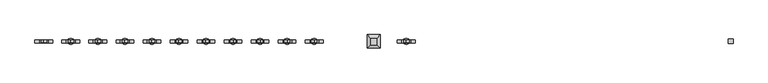
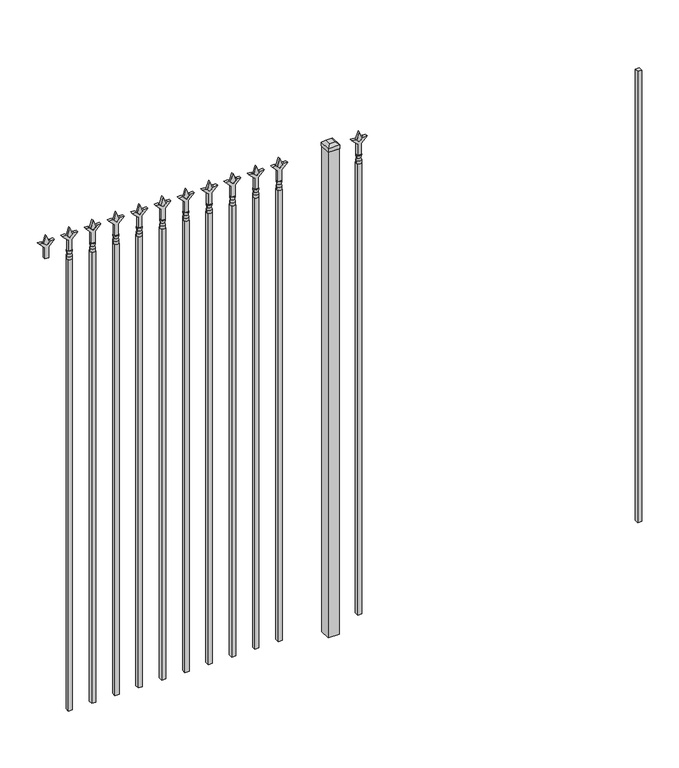
"""IFC4 building model written with IfcOpenShell, lengths in millimetres: railing geometry."""

from ifc_helpers import new_model, si_unit, frame, origin, origin_with_axes, place, context, project, spatial, polyline, circle_curve, outline, extrude, faceted_brep, source, transform, mapped, element, save
from ifc_brep_helpers import plane_surface, cylinder_surface, revolved_surface, advanced_brep


def railing_ec8f12d2(model_context):
    return source(origin(), model_context, "Body", "SolidModel", [
        extrude(outline(polyline([(-52241.005587, 5470.2679826), (-52221.955587, 5470.2679826), (-52221.955587, 5451.2179826), (-52241.005587, 5451.2179826), (-52241.005587, 5470.2679826)])), frame((0.0, 0.0, 50.8), z_axis=(0.0, 0.0, 1.0), x_axis=(1.0, 0.0, 0.0)), (0.0, 0.0, 1.0), 2235.2),
        extrude(outline(polyline([(2402.68125, -53530.849337), (2438.4, -53542.755587), (2402.68125, -53554.661837), (2390.775, -53542.755587), (2402.68125, -53530.849337)])), frame((0.0, 5455.9804826, 0.0), z_axis=(0.0, 1.0, 0.0), x_axis=(0.0, 0.0, 1.0)), (0.0, 0.0, 1.0), 9.525),
        extrude(outline(polyline([(2327.275, -53534.024337), (2381.5457378, -53534.024337), (2408.7355122, -53506.8345625), (2408.7355122, -53524.7950747), (2390.775, -53542.755587), (2408.7355122, -53560.7160992), (2408.7355122, -53578.6766114), (2381.5457378, -53551.486837), (2327.275, -53551.486837), (2327.275, -53534.024337)])), frame((0.0, 5454.3929826, 0.0), z_axis=(0.0, 1.0, 0.0), x_axis=(0.0, 0.0, 1.0)), (0.0, 0.0, 1.0), 12.7),
        advanced_brep(
        [(-53530.849337, 5460.7429826, 2298.7), (-53554.661837, 5460.7429826, 2298.7), (-53554.661837, 5460.7429826, 2286.0), (-53530.849337, 5460.7429826, 2286.0), (-53533.0546688, 5460.7429826, 2311.2070585), (-53552.4565051, 5460.7429826, 2311.2070585), (-53530.849337, 5460.7429826, 2327.275), (-53554.661837, 5460.7429826, 2327.275), (-53542.755587, 5460.7429826, 2327.275), (-53542.755587, 5460.7429826, 2286.0)],
        [
            (0, 1, circle_curve(frame((-53542.755587, 5460.7429826, 2298.7), z_axis=(0.0, 0.0, -1.0), x_axis=(-1.0, 0.0, 0.0)), 11.90625)),
            (1, 2),
            (2, 3, circle_curve(frame((-53542.755587, 5460.7429826, 2286.0), z_axis=(0.0, 0.0, 1.0), x_axis=(-1.0, 0.0, 0.0)), 11.90625)),
            (3, 0),
            (1, 0, circle_curve(frame((-53542.755587, 5460.7429826, 2298.7), z_axis=(0.0, 0.0, -1.0), x_axis=(-1.0, 0.0, 0.0)), 11.90625)),
            (3, 2, circle_curve(frame((-53542.755587, 5460.7429826, 2286.0), z_axis=(0.0, 0.0, 1.0), x_axis=(-1.0, 0.0, 0.0)), 11.90625)),
            (4, 5, circle_curve(frame((-53542.755587, 5460.7429826, 2311.2070585), z_axis=(0.0, 0.0, -1.0), x_axis=(-1.0, 0.0, 0.0)), 9.7009181)),
            (5, 1),
            (0, 4),
            (5, 4, circle_curve(frame((-53542.755587, 5460.7429826, 2311.2070585), z_axis=(0.0, 0.0, -1.0), x_axis=(-1.0, 0.0, 0.0)), 9.7009181)),
            (6, 7, circle_curve(frame((-53542.755587, 5460.7429826, 2327.275), z_axis=(0.0, 0.0, -1.0), x_axis=(-1.0, 0.0, 0.0)), 11.90625)),
            (7, 5),
            (4, 6),
            (7, 6, circle_curve(frame((-53542.755587, 5460.7429826, 2327.275), z_axis=(0.0, 0.0, -1.0), x_axis=(-1.0, 0.0, 0.0)), 11.90625)),
            (8, 7),
            (6, 8),
            (2, 9),
            (9, 3),
        ],
        [
            cylinder_surface(frame((-53542.755587, 5460.7429826, 2286.0), z_axis=(0.0, 0.0, 1.0), x_axis=(-1.0, 0.0, 0.0)), 11.90625),
            revolved_surface(polyline([(-53554.661837, 5460.7429826, 2298.7), (-53552.4565051, 5460.7429826, 2311.2070585)]), (-53542.755587, 5460.7429826, 2286.0), (0.0, 0.0, 1.0)),
            revolved_surface(polyline([(-53552.4565051, 5460.7429826, 2311.2070585), (-53554.661837, 5460.7429826, 2327.275)]), (-53542.755587, 5460.7429826, 2286.0), (0.0, 0.0, 1.0)),
            plane_surface(frame((-53542.755587, 5460.7429826, 2327.275), z_axis=(0.0, 0.0, 1.0), x_axis=(-1.0, 0.0, 0.0))),
            plane_surface(frame((-53542.755587, 5460.7429826, 2286.0), z_axis=(0.0, 0.0, -1.0), x_axis=(-1.0, 0.0, 0.0))),
        ],
        [
            (0, [[1, 2, 3, 4]]),
            (0, [[5, -4, 6, -2]]),
            (1, [[7, 8, -1, 9]]),
            (1, [[10, -9, -5, -8]]),
            (2, [[11, 12, -7, 13]]),
            (2, [[14, -13, -10, -12]]),
            (3, [[15, -11, 16]]),
            (3, [[-16, -14, -15]]),
            (4, [[-3, 17, 18]]),
            (4, [[-6, -18, -17]]),
        ],
    ),
        extrude(outline(polyline([(-53552.280587, 5470.2679826), (-53533.230587, 5470.2679826), (-53533.230587, 5451.2179826), (-53552.280587, 5451.2179826), (-53552.280587, 5470.2679826)])), frame((0.0, 0.0, 50.8), z_axis=(0.0, 0.0, 1.0), x_axis=(1.0, 0.0, 0.0)), (0.0, 0.0, 1.0), 2235.2),
        extrude(outline(polyline([(-53649.118087, 5486.1429826), (-53649.118087, 5435.3429826), (-53699.918087, 5435.3429826), (-53699.918087, 5486.1429826), (-53649.118087, 5486.1429826)])), origin_with_axes(), (0.0, 0.0, 1.0), 2406.65),
        faceted_brep([(-53701.505587, 5487.7304826, 2425.7), (-53701.505587, 5487.7304826, 2406.65), (-53701.505587, 5433.7554826, 2406.65), (-53701.505587, 5433.7554826, 2425.7), (-53688.805587, 5475.0304826, 2438.4), (-53688.805587, 5446.4554826, 2438.4), (-53647.530587, 5433.7554826, 2406.65), (-53647.530587, 5433.7554826, 2425.7), (-53660.230587, 5446.4554826, 2438.4), (-53647.530587, 5487.7304826, 2406.65), (-53647.530587, 5487.7304826, 2425.7), (-53660.230587, 5475.0304826, 2438.4)], [[[0, 1, 2, 3]], [[4, 0, 3, 5]], [[3, 2, 6, 7]], [[5, 3, 7, 8]], [[7, 6, 9, 10]], [[8, 7, 10, 11]], [[10, 9, 1, 0]], [[11, 10, 0, 4]], [[5, 8, 11, 4]], [[1, 9, 6, 2]]]),
        extrude(outline(polyline([(2402.68125, -53903.6472536), (2438.4, -53915.5535036), (2402.68125, -53927.4597536), (2390.775, -53915.5535036), (2402.68125, -53903.6472536)])), frame((0.0, 5455.9804826, 0.0), z_axis=(0.0, 1.0, 0.0), x_axis=(0.0, 0.0, 1.0)), (0.0, 0.0, 1.0), 9.525),
        extrude(outline(polyline([(2327.275, -53906.8222536), (2381.5457378, -53906.8222536), (2408.7355122, -53879.6324791), (2408.7355122, -53897.5929914), (2390.775, -53915.5535036), (2408.7355122, -53933.5140159), (2408.7355122, -53951.4745281), (2381.5457378, -53924.2847536), (2327.275, -53924.2847536), (2327.275, -53906.8222536)])), frame((0.0, 5454.3929826, 0.0), z_axis=(0.0, 1.0, 0.0), x_axis=(0.0, 0.0, 1.0)), (0.0, 0.0, 1.0), 12.7),
        advanced_brep(
        [(-53903.6472536, 5460.7429826, 2298.7), (-53927.4597536, 5460.7429826, 2298.7), (-53927.4597536, 5460.7429826, 2286.0), (-53903.6472536, 5460.7429826, 2286.0), (-53905.8525855, 5460.7429826, 2311.2070585), (-53925.2544218, 5460.7429826, 2311.2070585), (-53903.6472536, 5460.7429826, 2327.275), (-53927.4597536, 5460.7429826, 2327.275), (-53915.5535036, 5460.7429826, 2327.275), (-53915.5535036, 5460.7429826, 2286.0)],
        [
            (0, 1, circle_curve(frame((-53915.5535036, 5460.7429826, 2298.7), z_axis=(0.0, 0.0, -1.0), x_axis=(-1.0, 0.0, 0.0)), 11.90625)),
            (1, 2),
            (2, 3, circle_curve(frame((-53915.5535036, 5460.7429826, 2286.0), z_axis=(0.0, 0.0, 1.0), x_axis=(-1.0, 0.0, 0.0)), 11.90625)),
            (3, 0),
            (1, 0, circle_curve(frame((-53915.5535036, 5460.7429826, 2298.7), z_axis=(0.0, 0.0, -1.0), x_axis=(-1.0, 0.0, 0.0)), 11.90625)),
            (3, 2, circle_curve(frame((-53915.5535036, 5460.7429826, 2286.0), z_axis=(0.0, 0.0, 1.0), x_axis=(-1.0, 0.0, 0.0)), 11.90625)),
            (4, 5, circle_curve(frame((-53915.5535036, 5460.7429826, 2311.2070585), z_axis=(0.0, 0.0, -1.0), x_axis=(-1.0, 0.0, 0.0)), 9.7009181)),
            (5, 1),
            (0, 4),
            (5, 4, circle_curve(frame((-53915.5535036, 5460.7429826, 2311.2070585), z_axis=(0.0, 0.0, -1.0), x_axis=(-1.0, 0.0, 0.0)), 9.7009181)),
            (6, 7, circle_curve(frame((-53915.5535036, 5460.7429826, 2327.275), z_axis=(0.0, 0.0, -1.0), x_axis=(-1.0, 0.0, 0.0)), 11.90625)),
            (7, 5),
            (4, 6),
            (7, 6, circle_curve(frame((-53915.5535036, 5460.7429826, 2327.275), z_axis=(0.0, 0.0, -1.0), x_axis=(-1.0, 0.0, 0.0)), 11.90625)),
            (8, 7),
            (6, 8),
            (2, 9),
            (9, 3),
        ],
        [
            cylinder_surface(frame((-53915.5535036, 5460.7429826, 2286.0), z_axis=(0.0, 0.0, 1.0), x_axis=(-1.0, 0.0, 0.0)), 11.90625),
            revolved_surface(polyline([(-53927.4597536, 5460.7429826, 2298.7), (-53925.2544218, 5460.7429826, 2311.2070585)]), (-53915.5535036, 5460.7429826, 2286.0), (0.0, 0.0, 1.0)),
            revolved_surface(polyline([(-53925.2544218, 5460.7429826, 2311.2070585), (-53927.4597536, 5460.7429826, 2327.275)]), (-53915.5535036, 5460.7429826, 2286.0), (0.0, 0.0, 1.0)),
            plane_surface(frame((-53915.5535036, 5460.7429826, 2327.275), z_axis=(0.0, 0.0, 1.0), x_axis=(-1.0, 0.0, 0.0))),
            plane_surface(frame((-53915.5535036, 5460.7429826, 2286.0), z_axis=(0.0, 0.0, -1.0), x_axis=(-1.0, 0.0, 0.0))),
        ],
        [
            (0, [[1, 2, 3, 4]]),
            (0, [[5, -4, 6, -2]]),
            (1, [[7, 8, -1, 9]]),
            (1, [[10, -9, -5, -8]]),
            (2, [[11, 12, -7, 13]]),
            (2, [[14, -13, -10, -12]]),
            (3, [[15, -11, 16]]),
            (3, [[-16, -14, -15]]),
            (4, [[-3, 17, 18]]),
            (4, [[-6, -18, -17]]),
        ],
    ),
        extrude(outline(polyline([(-53925.0785036, 5470.2679826), (-53906.0285036, 5470.2679826), (-53906.0285036, 5451.2179826), (-53925.0785036, 5451.2179826), (-53925.0785036, 5470.2679826)])), frame((0.0, 0.0, 50.8), z_axis=(0.0, 0.0, 1.0), x_axis=(1.0, 0.0, 0.0)), (0.0, 0.0, 1.0), 2235.2),
        extrude(outline(polyline([(2402.68125, -54012.9201703), (2438.4, -54024.8264203), (2402.68125, -54036.7326703), (2390.775, -54024.8264203), (2402.68125, -54012.9201703)])), frame((0.0, 5455.9804826, 0.0), z_axis=(0.0, 1.0, 0.0), x_axis=(0.0, 0.0, 1.0)), (0.0, 0.0, 1.0), 9.525),
        extrude(outline(polyline([(2327.275, -54016.0951703), (2381.5457378, -54016.0951703), (2408.7355122, -53988.9053958), (2408.7355122, -54006.8659081), (2390.775, -54024.8264203), (2408.7355122, -54042.7869325), (2408.7355122, -54060.7474448), (2381.5457378, -54033.5576703), (2327.275, -54033.5576703), (2327.275, -54016.0951703)])), frame((0.0, 5454.3929826, 0.0), z_axis=(0.0, 1.0, 0.0), x_axis=(0.0, 0.0, 1.0)), (0.0, 0.0, 1.0), 12.7),
        advanced_brep(
        [(-54012.9201703, 5460.7429826, 2298.7), (-54036.7326703, 5460.7429826, 2298.7), (-54036.7326703, 5460.7429826, 2286.0), (-54012.9201703, 5460.7429826, 2286.0), (-54015.1255022, 5460.7429826, 2311.2070585), (-54034.5273384, 5460.7429826, 2311.2070585), (-54012.9201703, 5460.7429826, 2327.275), (-54036.7326703, 5460.7429826, 2327.275), (-54024.8264203, 5460.7429826, 2327.275), (-54024.8264203, 5460.7429826, 2286.0)],
        [
            (0, 1, circle_curve(frame((-54024.8264203, 5460.7429826, 2298.7), z_axis=(0.0, 0.0, -1.0), x_axis=(-1.0, 0.0, 0.0)), 11.90625)),
            (1, 2),
            (2, 3, circle_curve(frame((-54024.8264203, 5460.7429826, 2286.0), z_axis=(0.0, 0.0, 1.0), x_axis=(-1.0, 0.0, 0.0)), 11.90625)),
            (3, 0),
            (1, 0, circle_curve(frame((-54024.8264203, 5460.7429826, 2298.7), z_axis=(0.0, 0.0, -1.0), x_axis=(-1.0, 0.0, 0.0)), 11.90625)),
            (3, 2, circle_curve(frame((-54024.8264203, 5460.7429826, 2286.0), z_axis=(0.0, 0.0, 1.0), x_axis=(-1.0, 0.0, 0.0)), 11.90625)),
            (4, 5, circle_curve(frame((-54024.8264203, 5460.7429826, 2311.2070585), z_axis=(0.0, 0.0, -1.0), x_axis=(-1.0, 0.0, 0.0)), 9.7009181)),
            (5, 1),
            (0, 4),
            (5, 4, circle_curve(frame((-54024.8264203, 5460.7429826, 2311.2070585), z_axis=(0.0, 0.0, -1.0), x_axis=(-1.0, 0.0, 0.0)), 9.7009181)),
            (6, 7, circle_curve(frame((-54024.8264203, 5460.7429826, 2327.275), z_axis=(0.0, 0.0, -1.0), x_axis=(-1.0, 0.0, 0.0)), 11.90625)),
            (7, 5),
            (4, 6),
            (7, 6, circle_curve(frame((-54024.8264203, 5460.7429826, 2327.275), z_axis=(0.0, 0.0, -1.0), x_axis=(-1.0, 0.0, 0.0)), 11.90625)),
            (8, 7),
            (6, 8),
            (2, 9),
            (9, 3),
        ],
        [
            cylinder_surface(frame((-54024.8264203, 5460.7429826, 2286.0), z_axis=(0.0, 0.0, 1.0), x_axis=(-1.0, 0.0, 0.0)), 11.90625),
            revolved_surface(polyline([(-54036.7326703, 5460.7429826, 2298.7), (-54034.5273384, 5460.7429826, 2311.2070585)]), (-54024.8264203, 5460.7429826, 2286.0), (0.0, 0.0, 1.0)),
            revolved_surface(polyline([(-54034.5273384, 5460.7429826, 2311.2070585), (-54036.7326703, 5460.7429826, 2327.275)]), (-54024.8264203, 5460.7429826, 2286.0), (0.0, 0.0, 1.0)),
            plane_surface(frame((-54024.8264203, 5460.7429826, 2327.275), z_axis=(0.0, 0.0, 1.0), x_axis=(-1.0, 0.0, 0.0))),
            plane_surface(frame((-54024.8264203, 5460.7429826, 2286.0), z_axis=(0.0, 0.0, -1.0), x_axis=(-1.0, 0.0, 0.0))),
        ],
        [
            (0, [[1, 2, 3, 4]]),
            (0, [[5, -4, 6, -2]]),
            (1, [[7, 8, -1, 9]]),
            (1, [[10, -9, -5, -8]]),
            (2, [[11, 12, -7, 13]]),
            (2, [[14, -13, -10, -12]]),
            (3, [[15, -11, 16]]),
            (3, [[-16, -14, -15]]),
            (4, [[-3, 17, 18]]),
            (4, [[-6, -18, -17]]),
        ],
    ),
        extrude(outline(polyline([(-54034.3514203, 5470.2679826), (-54015.3014203, 5470.2679826), (-54015.3014203, 5451.2179826), (-54034.3514203, 5451.2179826), (-54034.3514203, 5470.2679826)])), frame((0.0, 0.0, 50.8), z_axis=(0.0, 0.0, 1.0), x_axis=(1.0, 0.0, 0.0)), (0.0, 0.0, 1.0), 2235.2),
        extrude(outline(polyline([(2402.68125, -54122.193087), (2438.4, -54134.099337), (2402.68125, -54146.005587), (2390.775, -54134.099337), (2402.68125, -54122.193087)])), frame((0.0, 5455.9804826, 0.0), z_axis=(0.0, 1.0, 0.0), x_axis=(0.0, 0.0, 1.0)), (0.0, 0.0, 1.0), 9.525),
        extrude(outline(polyline([(2327.275, -54125.368087), (2381.5457378, -54125.368087), (2408.7355122, -54098.1783125), (2408.7355122, -54116.1388247), (2390.775, -54134.099337), (2408.7355122, -54152.0598492), (2408.7355122, -54170.0203614), (2381.5457378, -54142.830587), (2327.275, -54142.830587), (2327.275, -54125.368087)])), frame((0.0, 5454.3929826, 0.0), z_axis=(0.0, 1.0, 0.0), x_axis=(0.0, 0.0, 1.0)), (0.0, 0.0, 1.0), 12.7),
        advanced_brep(
        [(-54122.193087, 5460.7429826, 2298.7), (-54146.005587, 5460.7429826, 2298.7), (-54146.005587, 5460.7429826, 2286.0), (-54122.193087, 5460.7429826, 2286.0), (-54124.3984188, 5460.7429826, 2311.2070585), (-54143.8002551, 5460.7429826, 2311.2070585), (-54122.193087, 5460.7429826, 2327.275), (-54146.005587, 5460.7429826, 2327.275), (-54134.099337, 5460.7429826, 2327.275), (-54134.099337, 5460.7429826, 2286.0)],
        [
            (0, 1, circle_curve(frame((-54134.099337, 5460.7429826, 2298.7), z_axis=(0.0, 0.0, -1.0), x_axis=(-1.0, 0.0, 0.0)), 11.90625)),
            (1, 2),
            (2, 3, circle_curve(frame((-54134.099337, 5460.7429826, 2286.0), z_axis=(0.0, 0.0, 1.0), x_axis=(-1.0, 0.0, 0.0)), 11.90625)),
            (3, 0),
            (1, 0, circle_curve(frame((-54134.099337, 5460.7429826, 2298.7), z_axis=(0.0, 0.0, -1.0), x_axis=(-1.0, 0.0, 0.0)), 11.90625)),
            (3, 2, circle_curve(frame((-54134.099337, 5460.7429826, 2286.0), z_axis=(0.0, 0.0, 1.0), x_axis=(-1.0, 0.0, 0.0)), 11.90625)),
            (4, 5, circle_curve(frame((-54134.099337, 5460.7429826, 2311.2070585), z_axis=(0.0, 0.0, -1.0), x_axis=(-1.0, 0.0, 0.0)), 9.7009181)),
            (5, 1),
            (0, 4),
            (5, 4, circle_curve(frame((-54134.099337, 5460.7429826, 2311.2070585), z_axis=(0.0, 0.0, -1.0), x_axis=(-1.0, 0.0, 0.0)), 9.7009181)),
            (6, 7, circle_curve(frame((-54134.099337, 5460.7429826, 2327.275), z_axis=(0.0, 0.0, -1.0), x_axis=(-1.0, 0.0, 0.0)), 11.90625)),
            (7, 5),
            (4, 6),
            (7, 6, circle_curve(frame((-54134.099337, 5460.7429826, 2327.275), z_axis=(0.0, 0.0, -1.0), x_axis=(-1.0, 0.0, 0.0)), 11.90625)),
            (8, 7),
            (6, 8),
            (2, 9),
            (9, 3),
        ],
        [
            cylinder_surface(frame((-54134.099337, 5460.7429826, 2286.0), z_axis=(0.0, 0.0, 1.0), x_axis=(-1.0, 0.0, 0.0)), 11.90625),
            revolved_surface(polyline([(-54146.005587, 5460.7429826, 2298.7), (-54143.8002551, 5460.7429826, 2311.2070585)]), (-54134.099337, 5460.7429826, 2286.0), (0.0, 0.0, 1.0)),
            revolved_surface(polyline([(-54143.8002551, 5460.7429826, 2311.2070585), (-54146.005587, 5460.7429826, 2327.275)]), (-54134.099337, 5460.7429826, 2286.0), (0.0, 0.0, 1.0)),
            plane_surface(frame((-54134.099337, 5460.7429826, 2327.275), z_axis=(0.0, 0.0, 1.0), x_axis=(-1.0, 0.0, 0.0))),
            plane_surface(frame((-54134.099337, 5460.7429826, 2286.0), z_axis=(0.0, 0.0, -1.0), x_axis=(-1.0, 0.0, 0.0))),
        ],
        [
            (0, [[1, 2, 3, 4]]),
            (0, [[5, -4, 6, -2]]),
            (1, [[7, 8, -1, 9]]),
            (1, [[10, -9, -5, -8]]),
            (2, [[11, 12, -7, 13]]),
            (2, [[14, -13, -10, -12]]),
            (3, [[15, -11, 16]]),
            (3, [[-16, -14, -15]]),
            (4, [[-3, 17, 18]]),
            (4, [[-6, -18, -17]]),
        ],
    ),
        extrude(outline(polyline([(-54143.624337, 5470.2679826), (-54124.574337, 5470.2679826), (-54124.574337, 5451.2179826), (-54143.624337, 5451.2179826), (-54143.624337, 5470.2679826)])), frame((0.0, 0.0, 50.8), z_axis=(0.0, 0.0, 1.0), x_axis=(1.0, 0.0, 0.0)), (0.0, 0.0, 1.0), 2235.2),
        extrude(outline(polyline([(2402.68125, -54231.4660036), (2438.4, -54243.3722536), (2402.68125, -54255.2785036), (2390.775, -54243.3722536), (2402.68125, -54231.4660036)])), frame((0.0, 5455.9804826, 0.0), z_axis=(0.0, 1.0, 0.0), x_axis=(0.0, 0.0, 1.0)), (0.0, 0.0, 1.0), 9.525),
        extrude(outline(polyline([(2327.275, -54234.6410036), (2381.5457378, -54234.6410036), (2408.7355122, -54207.4512291), (2408.7355122, -54225.4117414), (2390.775, -54243.3722536), (2408.7355122, -54261.3327659), (2408.7355122, -54279.2932781), (2381.5457378, -54252.1035036), (2327.275, -54252.1035036), (2327.275, -54234.6410036)])), frame((0.0, 5454.3929826, 0.0), z_axis=(0.0, 1.0, 0.0), x_axis=(0.0, 0.0, 1.0)), (0.0, 0.0, 1.0), 12.7),
        advanced_brep(
        [(-54231.4660036, 5460.7429826, 2298.7), (-54255.2785036, 5460.7429826, 2298.7), (-54255.2785036, 5460.7429826, 2286.0), (-54231.4660036, 5460.7429826, 2286.0), (-54233.6713355, 5460.7429826, 2311.2070585), (-54253.0731718, 5460.7429826, 2311.2070585), (-54231.4660036, 5460.7429826, 2327.275), (-54255.2785036, 5460.7429826, 2327.275), (-54243.3722536, 5460.7429826, 2327.275), (-54243.3722536, 5460.7429826, 2286.0)],
        [
            (0, 1, circle_curve(frame((-54243.3722536, 5460.7429826, 2298.7), z_axis=(0.0, 0.0, -1.0), x_axis=(-1.0, 0.0, 0.0)), 11.90625)),
            (1, 2),
            (2, 3, circle_curve(frame((-54243.3722536, 5460.7429826, 2286.0), z_axis=(0.0, 0.0, 1.0), x_axis=(-1.0, 0.0, 0.0)), 11.90625)),
            (3, 0),
            (1, 0, circle_curve(frame((-54243.3722536, 5460.7429826, 2298.7), z_axis=(0.0, 0.0, -1.0), x_axis=(-1.0, 0.0, 0.0)), 11.90625)),
            (3, 2, circle_curve(frame((-54243.3722536, 5460.7429826, 2286.0), z_axis=(0.0, 0.0, 1.0), x_axis=(-1.0, 0.0, 0.0)), 11.90625)),
            (4, 5, circle_curve(frame((-54243.3722536, 5460.7429826, 2311.2070585), z_axis=(0.0, 0.0, -1.0), x_axis=(-1.0, 0.0, 0.0)), 9.7009181)),
            (5, 1),
            (0, 4),
            (5, 4, circle_curve(frame((-54243.3722536, 5460.7429826, 2311.2070585), z_axis=(0.0, 0.0, -1.0), x_axis=(-1.0, 0.0, 0.0)), 9.7009181)),
            (6, 7, circle_curve(frame((-54243.3722536, 5460.7429826, 2327.275), z_axis=(0.0, 0.0, -1.0), x_axis=(-1.0, 0.0, 0.0)), 11.90625)),
            (7, 5),
            (4, 6),
            (7, 6, circle_curve(frame((-54243.3722536, 5460.7429826, 2327.275), z_axis=(0.0, 0.0, -1.0), x_axis=(-1.0, 0.0, 0.0)), 11.90625)),
            (8, 7),
            (6, 8),
            (2, 9),
            (9, 3),
        ],
        [
            cylinder_surface(frame((-54243.3722536, 5460.7429826, 2286.0), z_axis=(0.0, 0.0, 1.0), x_axis=(-1.0, 0.0, 0.0)), 11.90625),
            revolved_surface(polyline([(-54255.2785036, 5460.7429826, 2298.7), (-54253.0731718, 5460.7429826, 2311.2070585)]), (-54243.3722536, 5460.7429826, 2286.0), (0.0, 0.0, 1.0)),
            revolved_surface(polyline([(-54253.0731718, 5460.7429826, 2311.2070585), (-54255.2785036, 5460.7429826, 2327.275)]), (-54243.3722536, 5460.7429826, 2286.0), (0.0, 0.0, 1.0)),
            plane_surface(frame((-54243.3722536, 5460.7429826, 2327.275), z_axis=(0.0, 0.0, 1.0), x_axis=(-1.0, 0.0, 0.0))),
            plane_surface(frame((-54243.3722536, 5460.7429826, 2286.0), z_axis=(0.0, 0.0, -1.0), x_axis=(-1.0, 0.0, 0.0))),
        ],
        [
            (0, [[1, 2, 3, 4]]),
            (0, [[5, -4, 6, -2]]),
            (1, [[7, 8, -1, 9]]),
            (1, [[10, -9, -5, -8]]),
            (2, [[11, 12, -7, 13]]),
            (2, [[14, -13, -10, -12]]),
            (3, [[15, -11, 16]]),
            (3, [[-16, -14, -15]]),
            (4, [[-3, 17, 18]]),
            (4, [[-6, -18, -17]]),
        ],
    ),
        extrude(outline(polyline([(-54252.8972536, 5470.2679826), (-54233.8472536, 5470.2679826), (-54233.8472536, 5451.2179826), (-54252.8972536, 5451.2179826), (-54252.8972536, 5470.2679826)])), frame((0.0, 0.0, 50.8), z_axis=(0.0, 0.0, 1.0), x_axis=(1.0, 0.0, 0.0)), (0.0, 0.0, 1.0), 2235.2),
        extrude(outline(polyline([(2402.68125, -54340.7389203), (2438.4, -54352.6451703), (2402.68125, -54364.5514203), (2390.775, -54352.6451703), (2402.68125, -54340.7389203)])), frame((0.0, 5455.9804826, 0.0), z_axis=(0.0, 1.0, 0.0), x_axis=(0.0, 0.0, 1.0)), (0.0, 0.0, 1.0), 9.525),
        extrude(outline(polyline([(2327.275, -54343.9139203), (2381.5457378, -54343.9139203), (2408.7355122, -54316.7241458), (2408.7355122, -54334.6846581), (2390.775, -54352.6451703), (2408.7355122, -54370.6056825), (2408.7355122, -54388.5661948), (2381.5457378, -54361.3764203), (2327.275, -54361.3764203), (2327.275, -54343.9139203)])), frame((0.0, 5454.3929826, 0.0), z_axis=(0.0, 1.0, 0.0), x_axis=(0.0, 0.0, 1.0)), (0.0, 0.0, 1.0), 12.7),
        advanced_brep(
        [(-54340.7389203, 5460.7429826, 2298.7), (-54364.5514203, 5460.7429826, 2298.7), (-54364.5514203, 5460.7429826, 2286.0), (-54340.7389203, 5460.7429826, 2286.0), (-54342.9442522, 5460.7429826, 2311.2070585), (-54362.3460884, 5460.7429826, 2311.2070585), (-54340.7389203, 5460.7429826, 2327.275), (-54364.5514203, 5460.7429826, 2327.275), (-54352.6451703, 5460.7429826, 2327.275), (-54352.6451703, 5460.7429826, 2286.0)],
        [
            (0, 1, circle_curve(frame((-54352.6451703, 5460.7429826, 2298.7), z_axis=(0.0, 0.0, -1.0), x_axis=(-1.0, 0.0, 0.0)), 11.90625)),
            (1, 2),
            (2, 3, circle_curve(frame((-54352.6451703, 5460.7429826, 2286.0), z_axis=(0.0, 0.0, 1.0), x_axis=(-1.0, 0.0, 0.0)), 11.90625)),
            (3, 0),
            (1, 0, circle_curve(frame((-54352.6451703, 5460.7429826, 2298.7), z_axis=(0.0, 0.0, -1.0), x_axis=(-1.0, 0.0, 0.0)), 11.90625)),
            (3, 2, circle_curve(frame((-54352.6451703, 5460.7429826, 2286.0), z_axis=(0.0, 0.0, 1.0), x_axis=(-1.0, 0.0, 0.0)), 11.90625)),
            (4, 5, circle_curve(frame((-54352.6451703, 5460.7429826, 2311.2070585), z_axis=(0.0, 0.0, -1.0), x_axis=(-1.0, 0.0, 0.0)), 9.7009181)),
            (5, 1),
            (0, 4),
            (5, 4, circle_curve(frame((-54352.6451703, 5460.7429826, 2311.2070585), z_axis=(0.0, 0.0, -1.0), x_axis=(-1.0, 0.0, 0.0)), 9.7009181)),
            (6, 7, circle_curve(frame((-54352.6451703, 5460.7429826, 2327.275), z_axis=(0.0, 0.0, -1.0), x_axis=(-1.0, 0.0, 0.0)), 11.90625)),
            (7, 5),
            (4, 6),
            (7, 6, circle_curve(frame((-54352.6451703, 5460.7429826, 2327.275), z_axis=(0.0, 0.0, -1.0), x_axis=(-1.0, 0.0, 0.0)), 11.90625)),
            (8, 7),
            (6, 8),
            (2, 9),
            (9, 3),
        ],
        [
            cylinder_surface(frame((-54352.6451703, 5460.7429826, 2286.0), z_axis=(0.0, 0.0, 1.0), x_axis=(-1.0, 0.0, 0.0)), 11.90625),
            revolved_surface(polyline([(-54364.5514203, 5460.7429826, 2298.7), (-54362.3460884, 5460.7429826, 2311.2070585)]), (-54352.6451703, 5460.7429826, 2286.0), (0.0, 0.0, 1.0)),
            revolved_surface(polyline([(-54362.3460884, 5460.7429826, 2311.2070585), (-54364.5514203, 5460.7429826, 2327.275)]), (-54352.6451703, 5460.7429826, 2286.0), (0.0, 0.0, 1.0)),
            plane_surface(frame((-54352.6451703, 5460.7429826, 2327.275), z_axis=(0.0, 0.0, 1.0), x_axis=(-1.0, 0.0, 0.0))),
            plane_surface(frame((-54352.6451703, 5460.7429826, 2286.0), z_axis=(0.0, 0.0, -1.0), x_axis=(-1.0, 0.0, 0.0))),
        ],
        [
            (0, [[1, 2, 3, 4]]),
            (0, [[5, -4, 6, -2]]),
            (1, [[7, 8, -1, 9]]),
            (1, [[10, -9, -5, -8]]),
            (2, [[11, 12, -7, 13]]),
            (2, [[14, -13, -10, -12]]),
            (3, [[15, -11, 16]]),
            (3, [[-16, -14, -15]]),
            (4, [[-3, 17, 18]]),
            (4, [[-6, -18, -17]]),
        ],
    ),
        extrude(outline(polyline([(-54362.1701703, 5470.2679826), (-54343.1201703, 5470.2679826), (-54343.1201703, 5451.2179826), (-54362.1701703, 5451.2179826), (-54362.1701703, 5470.2679826)])), frame((0.0, 0.0, 50.8), z_axis=(0.0, 0.0, 1.0), x_axis=(1.0, 0.0, 0.0)), (0.0, 0.0, 1.0), 2235.2),
        extrude(outline(polyline([(2402.68125, -54450.011837), (2438.4, -54461.918087), (2402.68125, -54473.824337), (2390.775, -54461.918087), (2402.68125, -54450.011837)])), frame((0.0, 5455.9804826, 0.0), z_axis=(0.0, 1.0, 0.0), x_axis=(0.0, 0.0, 1.0)), (0.0, 0.0, 1.0), 9.525),
        extrude(outline(polyline([(2327.275, -54453.186837), (2381.5457378, -54453.186837), (2408.7355122, -54425.9970625), (2408.7355122, -54443.9575747), (2390.775, -54461.918087), (2408.7355122, -54479.8785992), (2408.7355122, -54497.8391114), (2381.5457378, -54470.649337), (2327.275, -54470.649337), (2327.275, -54453.186837)])), frame((0.0, 5454.3929826, 0.0), z_axis=(0.0, 1.0, 0.0), x_axis=(0.0, 0.0, 1.0)), (0.0, 0.0, 1.0), 12.7),
        advanced_brep(
        [(-54450.011837, 5460.7429826, 2298.7), (-54473.824337, 5460.7429826, 2298.7), (-54473.824337, 5460.7429826, 2286.0), (-54450.011837, 5460.7429826, 2286.0), (-54452.2171688, 5460.7429826, 2311.2070585), (-54471.6190051, 5460.7429826, 2311.2070585), (-54450.011837, 5460.7429826, 2327.275), (-54473.824337, 5460.7429826, 2327.275), (-54461.918087, 5460.7429826, 2327.275), (-54461.918087, 5460.7429826, 2286.0)],
        [
            (0, 1, circle_curve(frame((-54461.918087, 5460.7429826, 2298.7), z_axis=(0.0, 0.0, -1.0), x_axis=(-1.0, 0.0, 0.0)), 11.90625)),
            (1, 2),
            (2, 3, circle_curve(frame((-54461.918087, 5460.7429826, 2286.0), z_axis=(0.0, 0.0, 1.0), x_axis=(-1.0, 0.0, 0.0)), 11.90625)),
            (3, 0),
            (1, 0, circle_curve(frame((-54461.918087, 5460.7429826, 2298.7), z_axis=(0.0, 0.0, -1.0), x_axis=(-1.0, 0.0, 0.0)), 11.90625)),
            (3, 2, circle_curve(frame((-54461.918087, 5460.7429826, 2286.0), z_axis=(0.0, 0.0, 1.0), x_axis=(-1.0, 0.0, 0.0)), 11.90625)),
            (4, 5, circle_curve(frame((-54461.918087, 5460.7429826, 2311.2070585), z_axis=(0.0, 0.0, -1.0), x_axis=(-1.0, 0.0, 0.0)), 9.7009181)),
            (5, 1),
            (0, 4),
            (5, 4, circle_curve(frame((-54461.918087, 5460.7429826, 2311.2070585), z_axis=(0.0, 0.0, -1.0), x_axis=(-1.0, 0.0, 0.0)), 9.7009181)),
            (6, 7, circle_curve(frame((-54461.918087, 5460.7429826, 2327.275), z_axis=(0.0, 0.0, -1.0), x_axis=(-1.0, 0.0, 0.0)), 11.90625)),
            (7, 5),
            (4, 6),
            (7, 6, circle_curve(frame((-54461.918087, 5460.7429826, 2327.275), z_axis=(0.0, 0.0, -1.0), x_axis=(-1.0, 0.0, 0.0)), 11.90625)),
            (8, 7),
            (6, 8),
            (2, 9),
            (9, 3),
        ],
        [
            cylinder_surface(frame((-54461.918087, 5460.7429826, 2286.0), z_axis=(0.0, 0.0, 1.0), x_axis=(-1.0, 0.0, 0.0)), 11.90625),
            revolved_surface(polyline([(-54473.824337, 5460.7429826, 2298.7), (-54471.6190051, 5460.7429826, 2311.2070585)]), (-54461.918087, 5460.7429826, 2286.0), (0.0, 0.0, 1.0)),
            revolved_surface(polyline([(-54471.6190051, 5460.7429826, 2311.2070585), (-54473.824337, 5460.7429826, 2327.275)]), (-54461.918087, 5460.7429826, 2286.0), (0.0, 0.0, 1.0)),
            plane_surface(frame((-54461.918087, 5460.7429826, 2327.275), z_axis=(0.0, 0.0, 1.0), x_axis=(-1.0, 0.0, 0.0))),
            plane_surface(frame((-54461.918087, 5460.7429826, 2286.0), z_axis=(0.0, 0.0, -1.0), x_axis=(-1.0, 0.0, 0.0))),
        ],
        [
            (0, [[1, 2, 3, 4]]),
            (0, [[5, -4, 6, -2]]),
            (1, [[7, 8, -1, 9]]),
            (1, [[10, -9, -5, -8]]),
            (2, [[11, 12, -7, 13]]),
            (2, [[14, -13, -10, -12]]),
            (3, [[15, -11, 16]]),
            (3, [[-16, -14, -15]]),
            (4, [[-3, 17, 18]]),
            (4, [[-6, -18, -17]]),
        ],
    ),
        extrude(outline(polyline([(-54471.443087, 5470.2679826), (-54452.393087, 5470.2679826), (-54452.393087, 5451.2179826), (-54471.443087, 5451.2179826), (-54471.443087, 5470.2679826)])), frame((0.0, 0.0, 50.8), z_axis=(0.0, 0.0, 1.0), x_axis=(1.0, 0.0, 0.0)), (0.0, 0.0, 1.0), 2235.2),
        extrude(outline(polyline([(2402.68125, -54559.2847536), (2438.4, -54571.1910036), (2402.68125, -54583.0972536), (2390.775, -54571.1910036), (2402.68125, -54559.2847536)])), frame((0.0, 5455.9804826, 0.0), z_axis=(0.0, 1.0, 0.0), x_axis=(0.0, 0.0, 1.0)), (0.0, 0.0, 1.0), 9.525),
        extrude(outline(polyline([(2327.275, -54562.4597536), (2381.5457378, -54562.4597536), (2408.7355122, -54535.2699791), (2408.7355122, -54553.2304914), (2390.775, -54571.1910036), (2408.7355122, -54589.1515159), (2408.7355122, -54607.1120281), (2381.5457378, -54579.9222536), (2327.275, -54579.9222536), (2327.275, -54562.4597536)])), frame((0.0, 5454.3929826, 0.0), z_axis=(0.0, 1.0, 0.0), x_axis=(0.0, 0.0, 1.0)), (0.0, 0.0, 1.0), 12.7),
        advanced_brep(
        [(-54559.2847536, 5460.7429826, 2298.7), (-54583.0972536, 5460.7429826, 2298.7), (-54583.0972536, 5460.7429826, 2286.0), (-54559.2847536, 5460.7429826, 2286.0), (-54561.4900855, 5460.7429826, 2311.2070585), (-54580.8919218, 5460.7429826, 2311.2070585), (-54559.2847536, 5460.7429826, 2327.275), (-54583.0972536, 5460.7429826, 2327.275), (-54571.1910036, 5460.7429826, 2327.275), (-54571.1910036, 5460.7429826, 2286.0)],
        [
            (0, 1, circle_curve(frame((-54571.1910036, 5460.7429826, 2298.7), z_axis=(0.0, 0.0, -1.0), x_axis=(-1.0, 0.0, 0.0)), 11.90625)),
            (1, 2),
            (2, 3, circle_curve(frame((-54571.1910036, 5460.7429826, 2286.0), z_axis=(0.0, 0.0, 1.0), x_axis=(-1.0, 0.0, 0.0)), 11.90625)),
            (3, 0),
            (1, 0, circle_curve(frame((-54571.1910036, 5460.7429826, 2298.7), z_axis=(0.0, 0.0, -1.0), x_axis=(-1.0, 0.0, 0.0)), 11.90625)),
            (3, 2, circle_curve(frame((-54571.1910036, 5460.7429826, 2286.0), z_axis=(0.0, 0.0, 1.0), x_axis=(-1.0, 0.0, 0.0)), 11.90625)),
            (4, 5, circle_curve(frame((-54571.1910036, 5460.7429826, 2311.2070585), z_axis=(0.0, 0.0, -1.0), x_axis=(-1.0, 0.0, 0.0)), 9.7009181)),
            (5, 1),
            (0, 4),
            (5, 4, circle_curve(frame((-54571.1910036, 5460.7429826, 2311.2070585), z_axis=(0.0, 0.0, -1.0), x_axis=(-1.0, 0.0, 0.0)), 9.7009181)),
            (6, 7, circle_curve(frame((-54571.1910036, 5460.7429826, 2327.275), z_axis=(0.0, 0.0, -1.0), x_axis=(-1.0, 0.0, 0.0)), 11.90625)),
            (7, 5),
            (4, 6),
            (7, 6, circle_curve(frame((-54571.1910036, 5460.7429826, 2327.275), z_axis=(0.0, 0.0, -1.0), x_axis=(-1.0, 0.0, 0.0)), 11.90625)),
            (8, 7),
            (6, 8),
            (2, 9),
            (9, 3),
        ],
        [
            cylinder_surface(frame((-54571.1910036, 5460.7429826, 2286.0), z_axis=(0.0, 0.0, 1.0), x_axis=(-1.0, 0.0, 0.0)), 11.90625),
            revolved_surface(polyline([(-54583.0972536, 5460.7429826, 2298.7), (-54580.8919218, 5460.7429826, 2311.2070585)]), (-54571.1910036, 5460.7429826, 2286.0), (0.0, 0.0, 1.0)),
            revolved_surface(polyline([(-54580.8919218, 5460.7429826, 2311.2070585), (-54583.0972536, 5460.7429826, 2327.275)]), (-54571.1910036, 5460.7429826, 2286.0), (0.0, 0.0, 1.0)),
            plane_surface(frame((-54571.1910036, 5460.7429826, 2327.275), z_axis=(0.0, 0.0, 1.0), x_axis=(-1.0, 0.0, 0.0))),
            plane_surface(frame((-54571.1910036, 5460.7429826, 2286.0), z_axis=(0.0, 0.0, -1.0), x_axis=(-1.0, 0.0, 0.0))),
        ],
        [
            (0, [[1, 2, 3, 4]]),
            (0, [[5, -4, 6, -2]]),
            (1, [[7, 8, -1, 9]]),
            (1, [[10, -9, -5, -8]]),
            (2, [[11, 12, -7, 13]]),
            (2, [[14, -13, -10, -12]]),
            (3, [[15, -11, 16]]),
            (3, [[-16, -14, -15]]),
            (4, [[-3, 17, 18]]),
            (4, [[-6, -18, -17]]),
        ],
    ),
        extrude(outline(polyline([(-54580.7160036, 5470.2679826), (-54561.6660036, 5470.2679826), (-54561.6660036, 5451.2179826), (-54580.7160036, 5451.2179826), (-54580.7160036, 5470.2679826)])), frame((0.0, 0.0, 50.8), z_axis=(0.0, 0.0, 1.0), x_axis=(1.0, 0.0, 0.0)), (0.0, 0.0, 1.0), 2235.2),
        extrude(outline(polyline([(2402.68125, -54668.5576703), (2438.4, -54680.4639203), (2402.68125, -54692.3701703), (2390.775, -54680.4639203), (2402.68125, -54668.5576703)])), frame((0.0, 5455.9804826, 0.0), z_axis=(0.0, 1.0, 0.0), x_axis=(0.0, 0.0, 1.0)), (0.0, 0.0, 1.0), 9.525),
        extrude(outline(polyline([(2327.275, -54671.7326703), (2381.5457378, -54671.7326703), (2408.7355122, -54644.5428958), (2408.7355122, -54662.5034081), (2390.775, -54680.4639203), (2408.7355122, -54698.4244325), (2408.7355122, -54716.3849448), (2381.5457378, -54689.1951703), (2327.275, -54689.1951703), (2327.275, -54671.7326703)])), frame((0.0, 5454.3929826, 0.0), z_axis=(0.0, 1.0, 0.0), x_axis=(0.0, 0.0, 1.0)), (0.0, 0.0, 1.0), 12.7),
        advanced_brep(
        [(-54668.5576703, 5460.7429826, 2298.7), (-54692.3701703, 5460.7429826, 2298.7), (-54692.3701703, 5460.7429826, 2286.0), (-54668.5576703, 5460.7429826, 2286.0), (-54670.7630022, 5460.7429826, 2311.2070585), (-54690.1648384, 5460.7429826, 2311.2070585), (-54668.5576703, 5460.7429826, 2327.275), (-54692.3701703, 5460.7429826, 2327.275), (-54680.4639203, 5460.7429826, 2327.275), (-54680.4639203, 5460.7429826, 2286.0)],
        [
            (0, 1, circle_curve(frame((-54680.4639203, 5460.7429826, 2298.7), z_axis=(0.0, 0.0, -1.0), x_axis=(-1.0, 0.0, 0.0)), 11.90625)),
            (1, 2),
            (2, 3, circle_curve(frame((-54680.4639203, 5460.7429826, 2286.0), z_axis=(0.0, 0.0, 1.0), x_axis=(-1.0, 0.0, 0.0)), 11.90625)),
            (3, 0),
            (1, 0, circle_curve(frame((-54680.4639203, 5460.7429826, 2298.7), z_axis=(0.0, 0.0, -1.0), x_axis=(-1.0, 0.0, 0.0)), 11.90625)),
            (3, 2, circle_curve(frame((-54680.4639203, 5460.7429826, 2286.0), z_axis=(0.0, 0.0, 1.0), x_axis=(-1.0, 0.0, 0.0)), 11.90625)),
            (4, 5, circle_curve(frame((-54680.4639203, 5460.7429826, 2311.2070585), z_axis=(0.0, 0.0, -1.0), x_axis=(-1.0, 0.0, 0.0)), 9.7009181)),
            (5, 1),
            (0, 4),
            (5, 4, circle_curve(frame((-54680.4639203, 5460.7429826, 2311.2070585), z_axis=(0.0, 0.0, -1.0), x_axis=(-1.0, 0.0, 0.0)), 9.7009181)),
            (6, 7, circle_curve(frame((-54680.4639203, 5460.7429826, 2327.275), z_axis=(0.0, 0.0, -1.0), x_axis=(-1.0, 0.0, 0.0)), 11.90625)),
            (7, 5),
            (4, 6),
            (7, 6, circle_curve(frame((-54680.4639203, 5460.7429826, 2327.275), z_axis=(0.0, 0.0, -1.0), x_axis=(-1.0, 0.0, 0.0)), 11.90625)),
            (8, 7),
            (6, 8),
            (2, 9),
            (9, 3),
        ],
        [
            cylinder_surface(frame((-54680.4639203, 5460.7429826, 2286.0), z_axis=(0.0, 0.0, 1.0), x_axis=(-1.0, 0.0, 0.0)), 11.90625),
            revolved_surface(polyline([(-54692.3701703, 5460.7429826, 2298.7), (-54690.1648384, 5460.7429826, 2311.2070585)]), (-54680.4639203, 5460.7429826, 2286.0), (0.0, 0.0, 1.0)),
            revolved_surface(polyline([(-54690.1648384, 5460.7429826, 2311.2070585), (-54692.3701703, 5460.7429826, 2327.275)]), (-54680.4639203, 5460.7429826, 2286.0), (0.0, 0.0, 1.0)),
            plane_surface(frame((-54680.4639203, 5460.7429826, 2327.275), z_axis=(0.0, 0.0, 1.0), x_axis=(-1.0, 0.0, 0.0))),
            plane_surface(frame((-54680.4639203, 5460.7429826, 2286.0), z_axis=(0.0, 0.0, -1.0), x_axis=(-1.0, 0.0, 0.0))),
        ],
        [
            (0, [[1, 2, 3, 4]]),
            (0, [[5, -4, 6, -2]]),
            (1, [[7, 8, -1, 9]]),
            (1, [[10, -9, -5, -8]]),
            (2, [[11, 12, -7, 13]]),
            (2, [[14, -13, -10, -12]]),
            (3, [[15, -11, 16]]),
            (3, [[-16, -14, -15]]),
            (4, [[-3, 17, 18]]),
            (4, [[-6, -18, -17]]),
        ],
    ),
        extrude(outline(polyline([(-54689.9889203, 5470.2679826), (-54670.9389203, 5470.2679826), (-54670.9389203, 5451.2179826), (-54689.9889203, 5451.2179826), (-54689.9889203, 5470.2679826)])), frame((0.0, 0.0, 50.8), z_axis=(0.0, 0.0, 1.0), x_axis=(1.0, 0.0, 0.0)), (0.0, 0.0, 1.0), 2235.2),
        extrude(outline(polyline([(2402.68125, -54777.830587), (2438.4, -54789.736837), (2402.68125, -54801.643087), (2390.775, -54789.736837), (2402.68125, -54777.830587)])), frame((0.0, 5455.9804826, 0.0), z_axis=(0.0, 1.0, 0.0), x_axis=(0.0, 0.0, 1.0)), (0.0, 0.0, 1.0), 9.525),
        extrude(outline(polyline([(2327.275, -54781.005587), (2381.5457378, -54781.005587), (2408.7355122, -54753.8158125), (2408.7355122, -54771.7763247), (2390.775, -54789.736837), (2408.7355122, -54807.6973492), (2408.7355122, -54825.6578614), (2381.5457378, -54798.468087), (2327.275, -54798.468087), (2327.275, -54781.005587)])), frame((0.0, 5454.3929826, 0.0), z_axis=(0.0, 1.0, 0.0), x_axis=(0.0, 0.0, 1.0)), (0.0, 0.0, 1.0), 12.7),
        advanced_brep(
        [(-54777.830587, 5460.7429826, 2298.7), (-54801.643087, 5460.7429826, 2298.7), (-54801.643087, 5460.7429826, 2286.0), (-54777.830587, 5460.7429826, 2286.0), (-54780.0359188, 5460.7429826, 2311.2070585), (-54799.4377551, 5460.7429826, 2311.2070585), (-54777.830587, 5460.7429826, 2327.275), (-54801.643087, 5460.7429826, 2327.275), (-54789.736837, 5460.7429826, 2327.275), (-54789.736837, 5460.7429826, 2286.0)],
        [
            (0, 1, circle_curve(frame((-54789.736837, 5460.7429826, 2298.7), z_axis=(0.0, 0.0, -1.0), x_axis=(-1.0, 0.0, 0.0)), 11.90625)),
            (1, 2),
            (2, 3, circle_curve(frame((-54789.736837, 5460.7429826, 2286.0), z_axis=(0.0, 0.0, 1.0), x_axis=(-1.0, 0.0, 0.0)), 11.90625)),
            (3, 0),
            (1, 0, circle_curve(frame((-54789.736837, 5460.7429826, 2298.7), z_axis=(0.0, 0.0, -1.0), x_axis=(-1.0, 0.0, 0.0)), 11.90625)),
            (3, 2, circle_curve(frame((-54789.736837, 5460.7429826, 2286.0), z_axis=(0.0, 0.0, 1.0), x_axis=(-1.0, 0.0, 0.0)), 11.90625)),
            (4, 5, circle_curve(frame((-54789.736837, 5460.7429826, 2311.2070585), z_axis=(0.0, 0.0, -1.0), x_axis=(-1.0, 0.0, 0.0)), 9.7009181)),
            (5, 1),
            (0, 4),
            (5, 4, circle_curve(frame((-54789.736837, 5460.7429826, 2311.2070585), z_axis=(0.0, 0.0, -1.0), x_axis=(-1.0, 0.0, 0.0)), 9.7009181)),
            (6, 7, circle_curve(frame((-54789.736837, 5460.7429826, 2327.275), z_axis=(0.0, 0.0, -1.0), x_axis=(-1.0, 0.0, 0.0)), 11.90625)),
            (7, 5),
            (4, 6),
            (7, 6, circle_curve(frame((-54789.736837, 5460.7429826, 2327.275), z_axis=(0.0, 0.0, -1.0), x_axis=(-1.0, 0.0, 0.0)), 11.90625)),
            (8, 7),
            (6, 8),
            (2, 9),
            (9, 3),
        ],
        [
            cylinder_surface(frame((-54789.736837, 5460.7429826, 2286.0), z_axis=(0.0, 0.0, 1.0), x_axis=(-1.0, 0.0, 0.0)), 11.90625),
            revolved_surface(polyline([(-54801.643087, 5460.7429826, 2298.7), (-54799.4377551, 5460.7429826, 2311.2070585)]), (-54789.736837, 5460.7429826, 2286.0), (0.0, 0.0, 1.0)),
            revolved_surface(polyline([(-54799.4377551, 5460.7429826, 2311.2070585), (-54801.643087, 5460.7429826, 2327.275)]), (-54789.736837, 5460.7429826, 2286.0), (0.0, 0.0, 1.0)),
            plane_surface(frame((-54789.736837, 5460.7429826, 2327.275), z_axis=(0.0, 0.0, 1.0), x_axis=(-1.0, 0.0, 0.0))),
            plane_surface(frame((-54789.736837, 5460.7429826, 2286.0), z_axis=(0.0, 0.0, -1.0), x_axis=(-1.0, 0.0, 0.0))),
        ],
        [
            (0, [[1, 2, 3, 4]]),
            (0, [[5, -4, 6, -2]]),
            (1, [[7, 8, -1, 9]]),
            (1, [[10, -9, -5, -8]]),
            (2, [[11, 12, -7, 13]]),
            (2, [[14, -13, -10, -12]]),
            (3, [[15, -11, 16]]),
            (3, [[-16, -14, -15]]),
            (4, [[-3, 17, 18]]),
            (4, [[-6, -18, -17]]),
        ],
    ),
        extrude(outline(polyline([(-54799.261837, 5470.2679826), (-54780.211837, 5470.2679826), (-54780.211837, 5451.2179826), (-54799.261837, 5451.2179826), (-54799.261837, 5470.2679826)])), frame((0.0, 0.0, 50.8), z_axis=(0.0, 0.0, 1.0), x_axis=(1.0, 0.0, 0.0)), (0.0, 0.0, 1.0), 2235.2),
        extrude(outline(polyline([(2402.68125, -54887.1035036), (2438.4, -54899.0097536), (2402.68125, -54910.9160036), (2390.775, -54899.0097536), (2402.68125, -54887.1035036)])), frame((0.0, 5455.9804826, 0.0), z_axis=(0.0, 1.0, 0.0), x_axis=(0.0, 0.0, 1.0)), (0.0, 0.0, 1.0), 9.525),
        extrude(outline(polyline([(2327.275, -54890.2785036), (2381.5457378, -54890.2785036), (2408.7355122, -54863.0887291), (2408.7355122, -54881.0492414), (2390.775, -54899.0097536), (2408.7355122, -54916.9702659), (2408.7355122, -54934.9307781), (2381.5457378, -54907.7410036), (2327.275, -54907.7410036), (2327.275, -54890.2785036)])), frame((0.0, 5454.3929826, 0.0), z_axis=(0.0, 1.0, 0.0), x_axis=(0.0, 0.0, 1.0)), (0.0, 0.0, 1.0), 12.7),
        advanced_brep(
        [(-54887.1035036, 5460.7429826, 2298.7), (-54910.9160036, 5460.7429826, 2298.7), (-54910.9160036, 5460.7429826, 2286.0), (-54887.1035036, 5460.7429826, 2286.0), (-54889.3088355, 5460.7429826, 2311.2070585), (-54908.7106718, 5460.7429826, 2311.2070585), (-54887.1035036, 5460.7429826, 2327.275), (-54910.9160036, 5460.7429826, 2327.275), (-54899.0097536, 5460.7429826, 2327.275), (-54899.0097536, 5460.7429826, 2286.0)],
        [
            (0, 1, circle_curve(frame((-54899.0097536, 5460.7429826, 2298.7), z_axis=(0.0, 0.0, -1.0), x_axis=(-1.0, 0.0, 0.0)), 11.90625)),
            (1, 2),
            (2, 3, circle_curve(frame((-54899.0097536, 5460.7429826, 2286.0), z_axis=(0.0, 0.0, 1.0), x_axis=(-1.0, 0.0, 0.0)), 11.90625)),
            (3, 0),
            (1, 0, circle_curve(frame((-54899.0097536, 5460.7429826, 2298.7), z_axis=(0.0, 0.0, -1.0), x_axis=(-1.0, 0.0, 0.0)), 11.90625)),
            (3, 2, circle_curve(frame((-54899.0097536, 5460.7429826, 2286.0), z_axis=(0.0, 0.0, 1.0), x_axis=(-1.0, 0.0, 0.0)), 11.90625)),
            (4, 5, circle_curve(frame((-54899.0097536, 5460.7429826, 2311.2070585), z_axis=(0.0, 0.0, -1.0), x_axis=(-1.0, 0.0, 0.0)), 9.7009181)),
            (5, 1),
            (0, 4),
            (5, 4, circle_curve(frame((-54899.0097536, 5460.7429826, 2311.2070585), z_axis=(0.0, 0.0, -1.0), x_axis=(-1.0, 0.0, 0.0)), 9.7009181)),
            (6, 7, circle_curve(frame((-54899.0097536, 5460.7429826, 2327.275), z_axis=(0.0, 0.0, -1.0), x_axis=(-1.0, 0.0, 0.0)), 11.90625)),
            (7, 5),
            (4, 6),
            (7, 6, circle_curve(frame((-54899.0097536, 5460.7429826, 2327.275), z_axis=(0.0, 0.0, -1.0), x_axis=(-1.0, 0.0, 0.0)), 11.90625)),
            (8, 7),
            (6, 8),
            (2, 9),
            (9, 3),
        ],
        [
            cylinder_surface(frame((-54899.0097536, 5460.7429826, 2286.0), z_axis=(0.0, 0.0, 1.0), x_axis=(-1.0, 0.0, 0.0)), 11.90625),
            revolved_surface(polyline([(-54910.9160036, 5460.7429826, 2298.7), (-54908.7106718, 5460.7429826, 2311.2070585)]), (-54899.0097536, 5460.7429826, 2286.0), (0.0, 0.0, 1.0)),
            revolved_surface(polyline([(-54908.7106718, 5460.7429826, 2311.2070585), (-54910.9160036, 5460.7429826, 2327.275)]), (-54899.0097536, 5460.7429826, 2286.0), (0.0, 0.0, 1.0)),
            plane_surface(frame((-54899.0097536, 5460.7429826, 2327.275), z_axis=(0.0, 0.0, 1.0), x_axis=(-1.0, 0.0, 0.0))),
            plane_surface(frame((-54899.0097536, 5460.7429826, 2286.0), z_axis=(0.0, 0.0, -1.0), x_axis=(-1.0, 0.0, 0.0))),
        ],
        [
            (0, [[1, 2, 3, 4]]),
            (0, [[5, -4, 6, -2]]),
            (1, [[7, 8, -1, 9]]),
            (1, [[10, -9, -5, -8]]),
            (2, [[11, 12, -7, 13]]),
            (2, [[14, -13, -10, -12]]),
            (3, [[15, -11, 16]]),
            (3, [[-16, -14, -15]]),
            (4, [[-3, 17, 18]]),
            (4, [[-6, -18, -17]]),
        ],
    ),
        extrude(outline(polyline([(-54908.5347536, 5470.2679826), (-54889.4847536, 5470.2679826), (-54889.4847536, 5451.2179826), (-54908.5347536, 5451.2179826), (-54908.5347536, 5470.2679826)])), frame((0.0, 0.0, 50.8), z_axis=(0.0, 0.0, 1.0), x_axis=(1.0, 0.0, 0.0)), (0.0, 0.0, 1.0), 2235.2),
        extrude(outline(polyline([(2402.68125, -54996.3764203), (2438.4, -55008.2826703), (2402.68125, -55020.1889203), (2390.775, -55008.2826703), (2402.68125, -54996.3764203)])), frame((0.0, 5455.9804826, 0.0), z_axis=(0.0, 1.0, 0.0), x_axis=(0.0, 0.0, 1.0)), (0.0, 0.0, 1.0), 9.525),
        extrude(outline(polyline([(2327.275, -54999.5514203), (2381.5457378, -54999.5514203), (2408.7355122, -54972.3616458), (2408.7355122, -54990.3221581), (2390.775, -55008.2826703), (2408.7355122, -55026.2431825), (2408.7355122, -55044.2036948), (2381.5457378, -55017.0139203), (2327.275, -55017.0139203), (2327.275, -54999.5514203)])), frame((0.0, 5454.3929826, 0.0), z_axis=(0.0, 1.0, 0.0), x_axis=(0.0, 0.0, 1.0)), (0.0, 0.0, 1.0), 12.7),
    ])


if __name__ == "__main__":
    model = new_model("IFC4")
    model_context = context("Model", 3, world=origin())
    ifc_project = project(units=[si_unit("LENGTHUNIT", "METRE", prefix="MILLI")], contexts=[model_context])
    site = spatial("IfcSite", under=ifc_project)
    building = spatial("IfcBuilding", under=site)
    placement = place(None, origin())
    railing_shape = railing_ec8f12d2(model_context)
    element("IfcRailing", 1, at=placement, inside=building, context=model_context, shape_type="MappedRepresentation", body=[
        mapped(railing_shape, transform((0.0, 0.0, 0.0), x_axis=(1.0, 0.0, 0.0), y_axis=(0.0, 1.0, 0.0), z_axis=(0.0, 0.0, 1.0))),
    ])
    save(model, "model.ifc")
